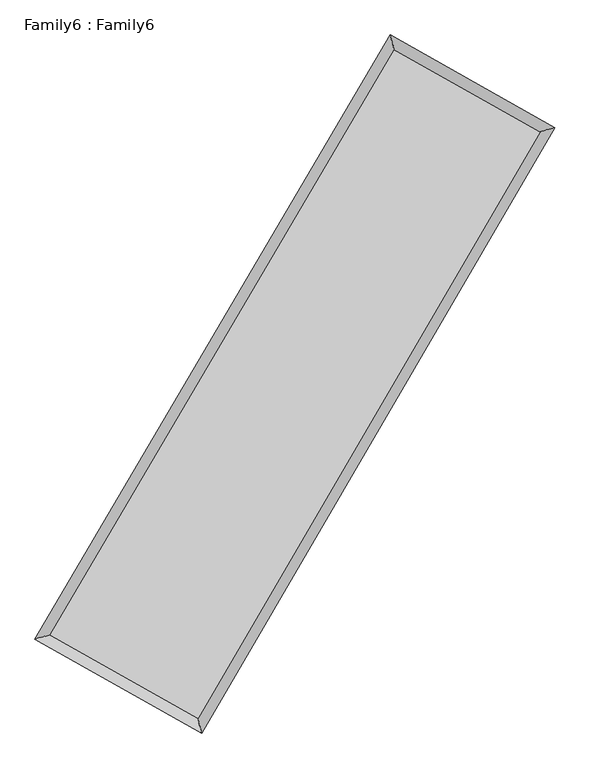
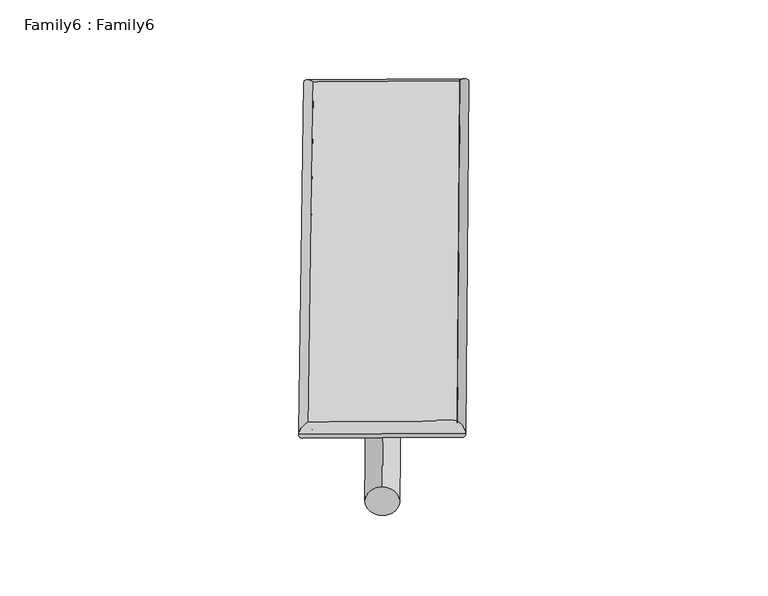
"""IFC4 building model written with IfcOpenShell, lengths in millimetres: plate geometry, Family6 : Family6."""

from ifc_helpers import new_model, si_unit, point, frame, origin, origin_2d, place, context, project, spatial, circle_curve, ellipse_curve, trimmed, segment, composite_curve, outline, extrude, source, transform, mapped, element, save
from ifc_brep_helpers import plane_surface, cylinder_surface, spline_surface, advanced_brep


def family6_family6_af27978e(model_context):
    return source(origin(), model_context, "Body", "SolidModel", [
        extrude(outline(composite_curve([segment(trimmed(circle_curve(origin_2d(), 76.2), [point((-75.4341515, -10.7763074))], [point((75.4341515, 10.7763074))], False, "CARTESIAN"), True, "CONTINUOUS"), segment(trimmed(circle_curve(origin_2d(), 76.2), [point((75.4341515, 10.7763074))], [point((-75.4341515, -10.7763074))], False, "CARTESIAN"), True, "CONTINUOUS")], self_intersect=False)), frame((9144.0, 9144.0, 0.0), z_axis=(0.6713053928525591, 0.689303696669452, 0.27241417599842255), x_axis=(-0.6811525818847913, 0.718652554626613, -0.13989162205195055)), (0.0, 0.0, 1.0), 5592.6462608),
        extrude(outline(composite_curve([segment(trimmed(circle_curve(origin_2d(), 76.2), [point((-53.8815367, 53.8815367))], [point((53.8815367, -53.8815367))], False, "CARTESIAN"), True, "CONTINUOUS"), segment(trimmed(circle_curve(origin_2d(), 76.2), [point((53.8815367, -53.8815367))], [point((-53.8815367, 53.8815367))], False, "CARTESIAN"), True, "CONTINUOUS")], self_intersect=False)), frame((9144.0, 9144.0, 0.0), z_axis=(-0.6736677020057954, -0.6870554175773305, 0.27226215391029124), x_axis=(0.6407809704933034, -0.3594775846447576, 0.6783624503107696)), (0.0, 0.0, 1.0), 5596.1103113),
        extrude(outline(composite_curve([segment(trimmed(circle_curve(origin_2d(), 76.2), [point((-53.8815367, -53.8815368))], [point((53.8815367, 53.8815368))], False, "CARTESIAN"), True, "CONTINUOUS"), segment(trimmed(circle_curve(origin_2d(), 76.2), [point((53.8815367, 53.8815368))], [point((-53.8815367, -53.8815368))], False, "CARTESIAN"), True, "CONTINUOUS")], self_intersect=False)), frame((9144.0, 9144.0, 0.0), z_axis=(0.27089004256375515, 0.9227500410653529, 0.2741367296691505), x_axis=(-0.8406827304334386, 0.36550541135399556, -0.3995726980437042)), (0.0, 0.0, 1.0), 5549.8454923),
        extrude(outline(composite_curve([segment(trimmed(circle_curve(origin_2d(), 76.2), [point((-75.4341514, 10.7763073))], [point((75.4341514, -10.7763073))], False, "CARTESIAN"), True, "CONTINUOUS"), segment(trimmed(circle_curve(origin_2d(), 76.2), [point((75.4341514, -10.7763073))], [point((-75.4341514, 10.7763073))], False, "CARTESIAN"), True, "CONTINUOUS")], self_intersect=False)), frame((9144.0, 9144.0, 0.0), z_axis=(-0.26782697926361787, -0.9237083845782742, 0.2739188373192336), x_axis=(0.8804725281831633, -0.11921850316970559, 0.45886280696600756)), (0.0, 0.0, 1.0), 5554.820914),
        advanced_brep(
        [(5164.0175345, 5242.6136588, 1523.4471365), (5164.0173859, 5242.6134662, 1523.8109432), (5584.1449183, 5355.7105277, 1523.7709573), (10702.9769905, 14059.0061364, 1521.6426359), (10591.8187728, 14471.2341754, 1521.190351), (5584.1450669, 5355.7107203, 1523.4071506), (12688.7249162, 12942.0982875, 1523.4948703), (13108.0222743, 13055.965196, 1523.5373753), (7600.2886029, 4219.4513909, 1521.6058803), (7712.2495856, 3806.4793029, 1521.5342923)],
        [
            (0, 1, ellipse_curve(frame((5374.0812264, 5299.1620932, 1523.6090469), z_axis=(-0.2599429905628869, 0.9656238799759411, 0.0004050647259846866), x_axis=(-0.9656236543209902, -0.25994322053926583, 0.0006930450573458824)), 217.5421977, 152.4)),
            (1, 2, ellipse_curve(frame((5374.0812264, 5299.1620932, 1523.6090469), z_axis=(-0.2599429905628869, 0.9656238799759411, 0.0004050647259846866), x_axis=(-0.9656236543209902, -0.25994322053926583, 0.0006930450573458824)), 217.5421977, 152.4)),
            (2, 3),
            (3, 4, ellipse_curve(frame((10647.3978816, 14265.1201559, 1521.4164934), z_axis=(-0.9655133247802998, -0.2603533018458163, -0.00042176969126131317), x_axis=(0.26035295775724326, -0.9655132329584781, 0.0007310055557619551)), 213.4761866, 152.4)),
            (4, 0),
            (2, 5, ellipse_curve(frame((5374.0812264, 5299.1620932, 1523.6090469), z_axis=(-0.2599429905628869, 0.9656238799759411, 0.0004050647259846866), x_axis=(-0.9656236543209902, -0.25994322053926583, 0.0006930450573458824)), 217.5421977, 152.4)),
            (5, 0, ellipse_curve(frame((5374.0812264, 5299.1620932, 1523.6090469), z_axis=(-0.2599429905628869, 0.9656238799759411, 0.0004050647259846866), x_axis=(-0.9656236543209902, -0.25994322053926583, 0.0006930450573458824)), 217.5421977, 152.4)),
            (4, 3, ellipse_curve(frame((10647.3978816, 14265.1201559, 1521.4164934), z_axis=(-0.9655133247802998, -0.2603533018458163, -0.00042176969126131317), x_axis=(0.26035295775724326, -0.9655132329584781, 0.0007310055557619551)), 213.4761866, 152.4)),
            (3, 6),
            (6, 7, ellipse_curve(frame((12898.3735952, 12999.0317418, 1523.5161228), z_axis=(-0.2620740905546005, 0.9650476527279945, -0.000446121247516827), x_axis=(-0.9650474291809487, -0.26207435420112113, -0.0007016418652079394)), 217.2418124, 152.4)),
            (7, 4),
            (7, 6, ellipse_curve(frame((12898.3735952, 12999.0317418, 1523.5161228), z_axis=(-0.2620740905546005, 0.9650476527279945, -0.000446121247516827), x_axis=(-0.9650474291809487, -0.26207435420112113, -0.0007016418652079394)), 217.2418124, 152.4)),
            (6, 8),
            (8, 9, ellipse_curve(frame((7656.2690943, 4012.9653469, 1521.5700863), z_axis=(0.9651587901145524, 0.26166455172529723, -0.00041501206350280255), x_axis=(-0.2616642368850572, 0.9651587196470266, 0.0006877678918752275)), 213.9399802, 152.4)),
            (9, 7),
            (9, 8, ellipse_curve(frame((7656.2690943, 4012.9653469, 1521.5700863), z_axis=(0.9651587901145524, 0.26166455172529723, -0.00041501206350280255), x_axis=(-0.2616642368850572, 0.9651587196470266, 0.0006877678918752275)), 213.9399802, 152.4)),
            (8, 5),
            (1, 9),
        ],
        [
            cylinder_surface(frame((5374.0812264, 5299.1620932, 1523.6090469), z_axis=(-0.5069646664362197, -0.8619668105872816, 0.00021078710102351056), x_axis=(-0.8619662632655969, 0.5069640322210797, -0.0012771163172847465)), 152.4),
            cylinder_surface(frame((10647.3978816, 14265.1201559, 1521.4164934), z_axis=(-0.8715893824768908, 0.4902359507473964, -0.0008129872992749634), x_axis=(0.4902364836589732, 0.8715891915961745, -0.0006864272812501053)), 152.4),
            cylinder_surface(frame((12898.3735952, 12999.0317418, 1523.5161228), z_axis=(0.5038876867479686, 0.8637691613808863, 0.00018705919296922567), x_axis=(0.863769180155283, -0.5038876867479686, -5.05732286933897e-05)), 152.4),
            cylinder_surface(frame((7656.2690943, 4012.9653469, 1521.5700863), z_axis=(0.8711727344529351, -0.4909760288995166, -0.0007783263178077083), x_axis=(-0.490975747447897, -0.8711730783479693, 0.0005319583647429834)), 152.4),
        ],
        [
            (0, [[1, 2, 3, 4, 5]]),
            (0, [[6, 7, -5, 8, -3]]),
            (1, [[-4, 9, 10, 11]]),
            (1, [[-8, -11, 12, -9]]),
            (2, [[-10, 13, 14, 15]]),
            (2, [[-12, -15, 16, -13]]),
            (3, [[-14, 17, -6, -2, 18]]),
            (3, [[-16, -18, -1, -7, -17]]),
        ],
    ),
        extrude(outline(composite_curve([segment(trimmed(circle_curve(origin_2d(), 304.8), [point((0.0, -304.8))], [point((0.0, 304.8))], False, "CARTESIAN"), True, "CONTINUOUS"), segment(trimmed(circle_curve(origin_2d(), 304.8), [point((0.0, 304.8))], [point((0.0, -304.8))], False, "CARTESIAN"), True, "CONTINUOUS")], self_intersect=False)), frame((6502.0048779, 4635.1168033, -2.25e-05), z_axis=(0.5055566672605571, 0.8627934029583202, 4.311306991426496e-09), x_axis=(-0.8627934029583202, 0.5055566672605571, 1.1700760753507388e-09)), (0.0, 0.0, 1.0), 10451.8258514),
        advanced_brep(
        [(5374.0812264, 5299.1620932, 1523.6090469), (7656.2690943, 4012.9653469, 1521.5700863), (7656.2691912, 4012.9673792, 1673.9700863), (5374.0813233, 5299.1641255, 1676.0090469), (12898.3735952, 12999.0317418, 1523.5161228), (12898.3736921, 12999.033774, 1675.9161228), (10647.3978816, 14265.1201559, 1521.4164934), (10647.3979785, 14265.1221882, 1673.8164934)],
        [
            (0, 1),
            (1, 2),
            (2, 3),
            (3, 0),
            (1, 4),
            (4, 5),
            (5, 2),
            (4, 6),
            (6, 7),
            (7, 5),
            (6, 0),
            (3, 7),
        ],
        [
            plane_surface(frame((6515.1751603, 4656.0637201, 1522.5895666), z_axis=(-0.4909761694905258, -0.8711730028244115, 1.1929324577438102e-05), x_axis=(0.8711727344529353, -0.49097602889951614, -0.0007783263178077093))),
            plane_surface(frame((10277.3213447, 8505.9985443, 1522.5431045), z_axis=(0.8637691758950069, -0.5038876965511172, 6.17008425961879e-06), x_axis=(0.5038876867479685, 0.8637691613808863, 0.00018705919296922494))),
            plane_surface(frame((11772.8857384, 13632.0759488, 1522.4663081), z_axis=(0.49023612117950804, 0.8715896656962157, -1.1934410187093667e-05), x_axis=(-0.8715893824768907, 0.4902359507473964, -0.0008129872992749638))),
            plane_surface(frame((8010.739554, 9782.1411246, 1522.5127702), z_axis=(-0.8619668303836129, 0.5069646765602471, -6.212261973105441e-06), x_axis=(-0.5069646664362196, -0.8619668105872816, 0.0002107871010235102))),
            spline_surface(1, 1, [[(7656.2691912, 4012.9673792, 1673.9700863), (5374.0813233, 5299.1641255, 1676.0090469)], [(12898.3736921, 12999.033774, 1675.9161228), (10647.3979785, 14265.1221882, 1673.8164934)]], [2, 2], [2, 2], [0.0, 1.0], [0.0, 1.0]),
            spline_surface(1, 1, [[(10647.3978816, 14265.1201559, 1521.4164934), (5374.0812264, 5299.1620932, 1523.6090469)], [(12898.3735952, 12999.0317418, 1523.5161228), (7656.2690943, 4012.9653469, 1521.5700863)]], [2, 2], [2, 2], [0.0, 1.0], [0.0, 1.0]),
        ],
        [
            (0, [[1, 2, 3, 4]]),
            (1, [[5, 6, 7, -2]]),
            (2, [[8, 9, 10, -6]]),
            (3, [[11, -4, 12, -9]]),
            (4, [[-3, -7, -10, -12]]),
            (5, [[-11, -8, -5, -1]]),
        ],
    ),
    ])


if __name__ == "__main__":
    model = new_model("IFC4")
    model_context = context("Model", 3, world=origin())
    ifc_project = project(units=[si_unit("LENGTHUNIT", "METRE", prefix="MILLI")], contexts=[model_context])
    site = spatial("IfcSite", under=ifc_project)
    building = spatial("IfcBuilding", under=site)
    placement = place(None, origin())
    family6_family6_shape = family6_family6_af27978e(model_context)
    element("IfcPlate", 1, ObjectType="Family6 : Family6", at=placement, inside=building, context=model_context, shape_type="MappedRepresentation", body=[
        mapped(family6_family6_shape, transform((0.0, 0.0, 0.0), x_axis=(1.0, 0.0, 0.0), y_axis=(0.0, 1.0, 0.0), z_axis=(0.0, 0.0, 1.0))),
    ])
    save(model, "model.ifc")
